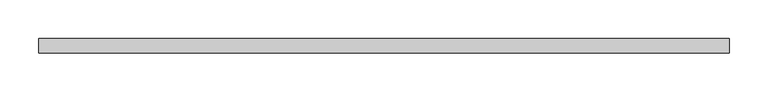
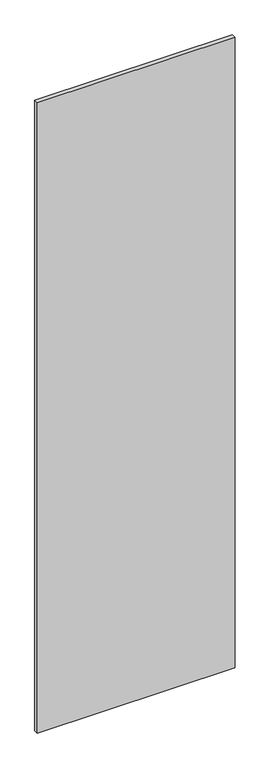
"""IFC4 building model written with IfcOpenShell, lengths in millimetres: proxy geometry."""

from ifc_helpers import new_model, si_unit, frame, origin, place, context, project, spatial, polyline, outline, extrude, source, transform, mapped, element, save


def specialty_equipment_5ee99900(model_context):
    return source(origin(), model_context, "Body", "SweptSolid", [
        extrude(outline(polyline([(447.1896387, 9.525), (447.1896387, -9.525), (-447.1896387, -9.525), (-447.1896387, 9.525), (447.1896387, 9.525)])), frame((0.0, 0.0, 3.175), z_axis=(0.0, 0.0, 1.0), x_axis=(1.0, 0.0, 0.0)), (0.0, 0.0, 1.0), 3013.075),
    ])


if __name__ == "__main__":
    model = new_model("IFC4")
    model_context = context("Model", 3, world=origin())
    ifc_project = project(units=[si_unit("LENGTHUNIT", "METRE", prefix="MILLI")], contexts=[model_context])
    site = spatial("IfcSite", under=ifc_project)
    building = spatial("IfcBuilding", under=site)
    placement = place(None, origin())
    specialty_equipment_shape = specialty_equipment_5ee99900(model_context)
    element("IfcBuildingElementProxy", 1, Name="Specialty Equipment", at=placement, inside=building, context=model_context, shape_type="MappedRepresentation", body=[
        mapped(specialty_equipment_shape, transform((0.0, 0.0, 0.0), x_axis=(1.0, 0.0, 0.0), y_axis=(0.0, 1.0, 0.0), z_axis=(0.0, 0.0, 1.0))),
    ])
    save(model, "model.ifc")
